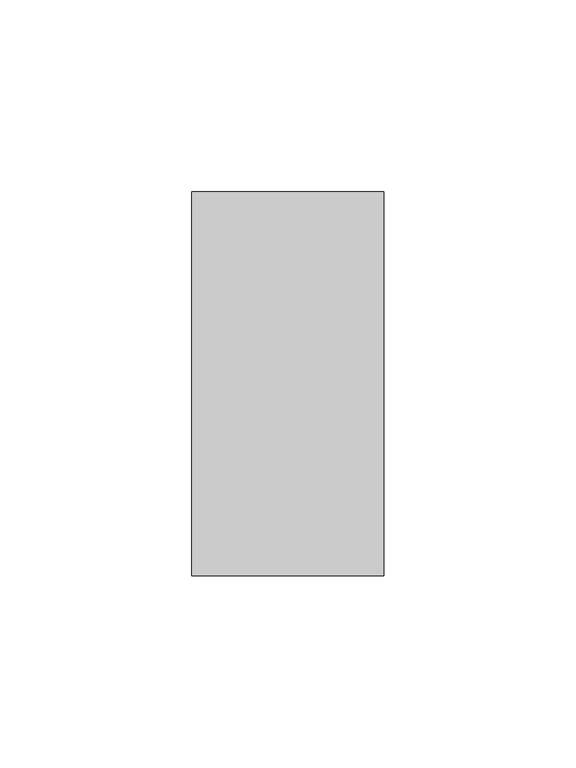
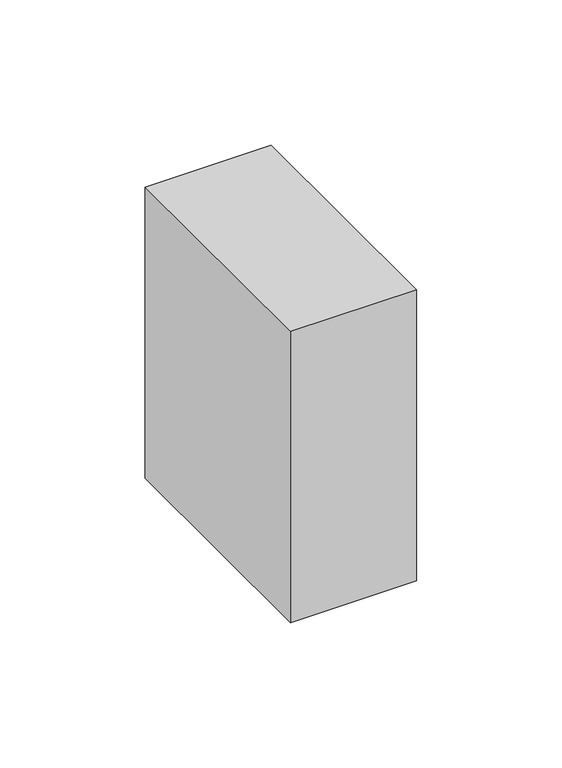
"""IFC4 building model written with IfcOpenShell, lengths in millimetres: member geometry."""

from ifc_helpers import new_model, si_unit, frame, origin, place, context, project, spatial, polyline, outline, extrude, source, transform, mapped, element, save


def member_ca4b6152(model_context):
    return source(origin(), model_context, "Body", "SweptSolid", [
        extrude(outline(polyline([(0.0, 50.0), (0.0, -50.0), (-50.0, -50.0), (-50.0, 50.0), (0.0, 50.0)])), frame((0.0, 0.0, -122.25), z_axis=(0.0, 0.0, 1.0), x_axis=(1.0, 0.0, 0.0)), (0.0, 0.0, 1.0), 122.25),
    ])


if __name__ == "__main__":
    model = new_model("IFC4")
    model_context = context("Model", 3, world=origin())
    ifc_project = project(units=[si_unit("LENGTHUNIT", "METRE", prefix="MILLI")], contexts=[model_context])
    site = spatial("IfcSite", under=ifc_project)
    building = spatial("IfcBuilding", under=site)
    placement = place(None, origin())
    member_shape = member_ca4b6152(model_context)
    element("IfcMember", 1, at=placement, inside=building, context=model_context, shape_type="MappedRepresentation", body=[
        mapped(member_shape, transform((0.0, 0.0, 0.0), x_axis=(1.0, 0.0, 0.0), y_axis=(0.0, 1.0, 0.0), z_axis=(0.0, 0.0, 1.0))),
    ])
    save(model, "model.ifc")
